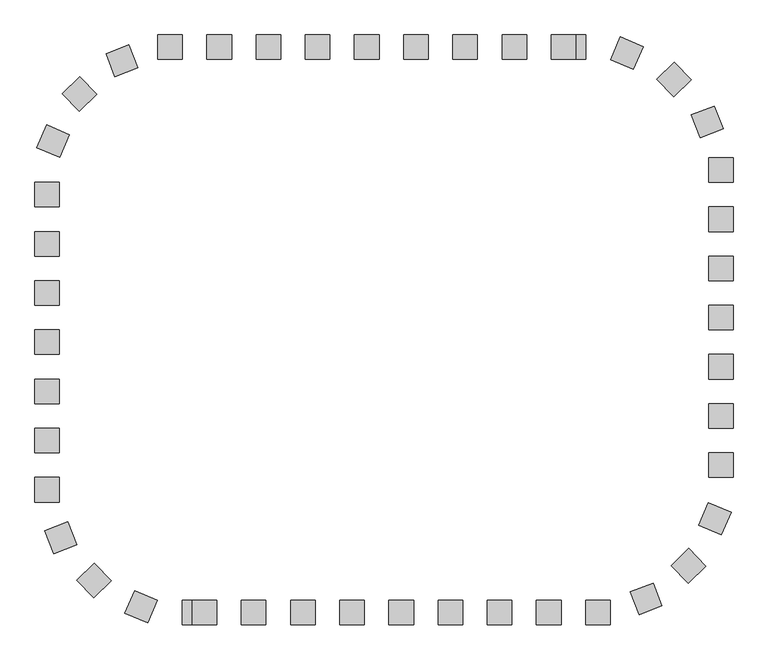
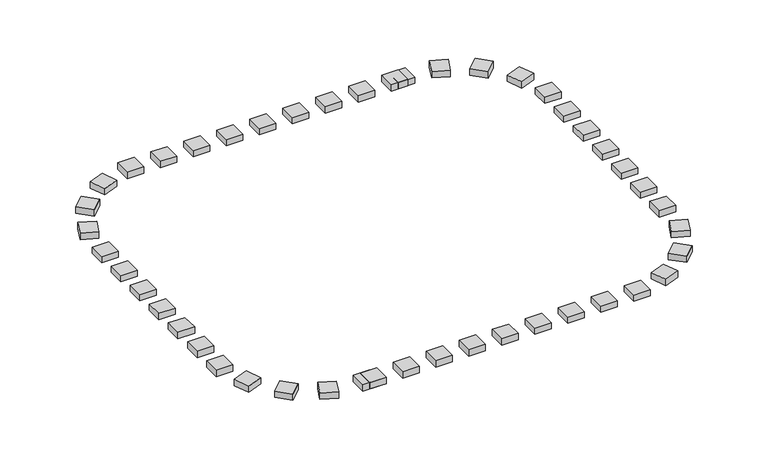
"""IFC4 building model written with IfcOpenShell, lengths in millimetres: railing geometry."""

from ifc_helpers import new_model, si_unit, origin, origin_with_axes, place, context, project, spatial, polyline, outline, extrude, source, transform, mapped, element, save


def railing_874c2a99(model_context):
    return source(origin(), model_context, "Body", "SweptSolid", [
        extrude(outline(polyline([(-56457.9798567, -274270.9184424), (-56457.9798567, -274770.9184424), (-56957.9798567, -274770.9184424), (-56957.9798567, -274270.9184424), (-56457.9798567, -274270.9184424)])), origin_with_axes(), (0.0, 0.0, 1.0), 200.0),
        extrude(outline(polyline([(-57457.9798567, -274270.9184424), (-57457.9798567, -274770.9184424), (-57957.9798567, -274770.9184424), (-57957.9798567, -274270.9184424), (-57457.9798567, -274270.9184424)])), origin_with_axes(), (0.0, 0.0, 1.0), 200.0),
        extrude(outline(polyline([(-58457.9798567, -274270.9184424), (-58457.9798567, -274770.9184424), (-58957.9798567, -274770.9184424), (-58957.9798567, -274270.9184424), (-58457.9798567, -274270.9184424)])), origin_with_axes(), (0.0, 0.0, 1.0), 200.0),
        extrude(outline(polyline([(-59457.9798567, -274270.9184424), (-59457.9798567, -274770.9184424), (-59957.9798567, -274770.9184424), (-59957.9798567, -274270.9184424), (-59457.9798567, -274270.9184424)])), origin_with_axes(), (0.0, 0.0, 1.0), 200.0),
        extrude(outline(polyline([(-60457.9798567, -274270.9184424), (-60457.9798567, -274770.9184424), (-60957.9798567, -274770.9184424), (-60957.9798567, -274270.9184424), (-60457.9798567, -274270.9184424)])), origin_with_axes(), (0.0, 0.0, 1.0), 200.0),
        extrude(outline(polyline([(-61457.9798567, -274270.9184424), (-61457.9798567, -274770.9184424), (-61957.9798567, -274770.9184424), (-61957.9798567, -274270.9184424), (-61457.9798567, -274270.9184424)])), origin_with_axes(), (0.0, 0.0, 1.0), 200.0),
        extrude(outline(polyline([(-62457.9798567, -274270.9184424), (-62457.9798567, -274770.9184424), (-62957.9798567, -274770.9184424), (-62957.9798567, -274270.9184424), (-62457.9798567, -274270.9184424)])), origin_with_axes(), (0.0, 0.0, 1.0), 200.0),
        extrude(outline(polyline([(-63457.9798567, -274270.9184424), (-63457.9798567, -274770.9184424), (-63957.9798567, -274770.9184424), (-63957.9798567, -274270.9184424), (-63457.9798567, -274270.9184424)])), origin_with_axes(), (0.0, 0.0, 1.0), 200.0),
        extrude(outline(polyline([(-65545.0531201, -274474.8011845), (-65363.8742429, -274940.8207275), (-65829.8937859, -275121.9996047), (-66011.0726631, -274655.9800617), (-65545.0531201, -274474.8011845)])), origin_with_axes(), (0.0, 0.0, 1.0), 200.0),
        extrude(outline(polyline([(-66548.0999847, -275118.8501697), (-66199.74663, -275477.5282151), (-66558.4246755, -275825.8815698), (-66906.7780302, -275467.2035244), (-66548.0999847, -275118.8501697)])), origin_with_axes(), (0.0, 0.0, 1.0), 200.0),
        extrude(outline(polyline([(-67221.1628387, -276102.6634155), (-66760.6323417, -276297.3725866), (-66955.3415128, -276757.9030836), (-67415.8720098, -276563.1939125), (-67221.1628387, -276102.6634155)])), origin_with_axes(), (0.0, 0.0, 1.0), 200.0),
        extrude(outline(polyline([(-67457.9798567, -278270.9184424), (-66957.9798567, -278270.9184424), (-66957.9798567, -278770.9184424), (-67457.9798567, -278770.9184424), (-67457.9798567, -278270.9184424)])), origin_with_axes(), (0.0, 0.0, 1.0), 200.0),
        extrude(outline(polyline([(-67457.9798567, -279270.9184424), (-66957.9798567, -279270.9184424), (-66957.9798567, -279770.9184424), (-67457.9798567, -279770.9184424), (-67457.9798567, -279270.9184424)])), origin_with_axes(), (0.0, 0.0, 1.0), 200.0),
        extrude(outline(polyline([(-67457.9798567, -280270.9184424), (-66957.9798567, -280270.9184424), (-66957.9798567, -280770.9184424), (-67457.9798567, -280770.9184424), (-67457.9798567, -280270.9184424)])), origin_with_axes(), (0.0, 0.0, 1.0), 200.0),
        extrude(outline(polyline([(-67457.9798567, -281270.9184424), (-66957.9798567, -281270.9184424), (-66957.9798567, -281770.9184424), (-67457.9798567, -281770.9184424), (-67457.9798567, -281270.9184424)])), origin_with_axes(), (0.0, 0.0, 1.0), 200.0),
        extrude(outline(polyline([(-67457.9798567, -282270.9184424), (-66957.9798567, -282270.9184424), (-66957.9798567, -282770.9184424), (-67457.9798567, -282770.9184424), (-67457.9798567, -282270.9184424)])), origin_with_axes(), (0.0, 0.0, 1.0), 200.0),
        extrude(outline(polyline([(-67254.0971146, -284357.9917058), (-66788.0775716, -284176.8128286), (-66606.8986944, -284642.8323716), (-67072.9182373, -284824.0112488), (-67254.0971146, -284357.9917058)])), origin_with_axes(), (0.0, 0.0, 1.0), 200.0),
        extrude(outline(polyline([(-66610.0481294, -285361.0385704), (-66251.3700839, -285012.6852157), (-65903.0167292, -285371.3632612), (-66261.6947747, -285719.7166159), (-66610.0481294, -285361.0385704)])), origin_with_axes(), (0.0, 0.0, 1.0), 200.0),
        extrude(outline(polyline([(-65626.2348836, -286034.1014244), (-65431.5257124, -285573.5709274), (-64970.9952154, -285768.2800985), (-65165.7043866, -286228.8105955), (-65626.2348836, -286034.1014244)])), origin_with_axes(), (0.0, 0.0, 1.0), 200.0),
        extrude(outline(polyline([(-64257.9798567, -286270.9184424), (-64257.9798567, -285770.9184424), (-63757.9798567, -285770.9184424), (-63757.9798567, -286270.9184424), (-64257.9798567, -286270.9184424)])), origin_with_axes(), (0.0, 0.0, 1.0), 200.0),
        extrude(outline(polyline([(-63257.9798567, -286270.9184424), (-63257.9798567, -285770.9184424), (-62757.9798567, -285770.9184424), (-62757.9798567, -286270.9184424), (-63257.9798567, -286270.9184424)])), origin_with_axes(), (0.0, 0.0, 1.0), 200.0),
        extrude(outline(polyline([(-62257.9798567, -286270.9184424), (-62257.9798567, -285770.9184424), (-61757.9798567, -285770.9184424), (-61757.9798567, -286270.9184424), (-62257.9798567, -286270.9184424)])), origin_with_axes(), (0.0, 0.0, 1.0), 200.0),
        extrude(outline(polyline([(-61257.9798567, -286270.9184424), (-61257.9798567, -285770.9184424), (-60757.9798567, -285770.9184424), (-60757.9798567, -286270.9184424), (-61257.9798567, -286270.9184424)])), origin_with_axes(), (0.0, 0.0, 1.0), 200.0),
        extrude(outline(polyline([(-60257.9798567, -286270.9184424), (-60257.9798567, -285770.9184424), (-59757.9798567, -285770.9184424), (-59757.9798567, -286270.9184424), (-60257.9798567, -286270.9184424)])), origin_with_axes(), (0.0, 0.0, 1.0), 200.0),
        extrude(outline(polyline([(-59257.9798567, -286270.9184424), (-59257.9798567, -285770.9184424), (-58757.9798567, -285770.9184424), (-58757.9798567, -286270.9184424), (-59257.9798567, -286270.9184424)])), origin_with_axes(), (0.0, 0.0, 1.0), 200.0),
        extrude(outline(polyline([(-58257.9798567, -286270.9184424), (-58257.9798567, -285770.9184424), (-57757.9798567, -285770.9184424), (-57757.9798567, -286270.9184424), (-58257.9798567, -286270.9184424)])), origin_with_axes(), (0.0, 0.0, 1.0), 200.0),
        extrude(outline(polyline([(-57257.9798567, -286270.9184424), (-57257.9798567, -285770.9184424), (-56757.9798567, -285770.9184424), (-56757.9798567, -286270.9184424), (-57257.9798567, -286270.9184424)])), origin_with_axes(), (0.0, 0.0, 1.0), 200.0),
        extrude(outline(polyline([(-55170.9065932, -286067.0357003), (-55352.0854705, -285601.0161573), (-54886.0659275, -285419.8372801), (-54704.8870503, -285885.856823), (-55170.9065932, -286067.0357003)])), origin_with_axes(), (0.0, 0.0, 1.0), 200.0),
        extrude(outline(polyline([(-54167.8597286, -285422.9867151), (-54516.2130833, -285064.3086696), (-54157.5350379, -284715.955315), (-53809.1816832, -285074.6333604), (-54167.8597286, -285422.9867151)])), origin_with_axes(), (0.0, 0.0, 1.0), 200.0),
        extrude(outline(polyline([(-53494.7968747, -284439.1734693), (-53955.3273717, -284244.4642982), (-53760.6182005, -283783.9338012), (-53300.0877035, -283978.6429723), (-53494.7968747, -284439.1734693)])), origin_with_axes(), (0.0, 0.0, 1.0), 200.0),
        extrude(outline(polyline([(-53257.9798567, -282270.9184424), (-53757.9798567, -282270.9184424), (-53757.9798567, -281770.9184424), (-53257.9798567, -281770.9184424), (-53257.9798567, -282270.9184424)])), origin_with_axes(), (0.0, 0.0, 1.0), 200.0),
        extrude(outline(polyline([(-53257.9798567, -281270.9184424), (-53757.9798567, -281270.9184424), (-53757.9798567, -280770.9184424), (-53257.9798567, -280770.9184424), (-53257.9798567, -281270.9184424)])), origin_with_axes(), (0.0, 0.0, 1.0), 200.0),
        extrude(outline(polyline([(-53257.9798567, -280270.9184424), (-53757.9798567, -280270.9184424), (-53757.9798567, -279770.9184424), (-53257.9798567, -279770.9184424), (-53257.9798567, -280270.9184424)])), origin_with_axes(), (0.0, 0.0, 1.0), 200.0),
        extrude(outline(polyline([(-53257.9798567, -279270.9184424), (-53757.9798567, -279270.9184424), (-53757.9798567, -278770.9184424), (-53257.9798567, -278770.9184424), (-53257.9798567, -279270.9184424)])), origin_with_axes(), (0.0, 0.0, 1.0), 200.0),
        extrude(outline(polyline([(-53257.9798567, -278270.9184424), (-53757.9798567, -278270.9184424), (-53757.9798567, -277770.9184424), (-53257.9798567, -277770.9184424), (-53257.9798567, -278270.9184424)])), origin_with_axes(), (0.0, 0.0, 1.0), 200.0),
        extrude(outline(polyline([(-53461.8625988, -276183.845179), (-53927.8821418, -276365.0240562), (-54109.061019, -275899.0045132), (-53643.041476, -275717.825636), (-53461.8625988, -276183.845179)])), origin_with_axes(), (0.0, 0.0, 1.0), 200.0),
        extrude(outline(polyline([(-54105.911584, -275180.7983143), (-54464.5896294, -275529.151669), (-54812.9429841, -275170.4736236), (-54454.2649386, -274822.1202689), (-54105.911584, -275180.7983143)])), origin_with_axes(), (0.0, 0.0, 1.0), 200.0),
        extrude(outline(polyline([(-55089.7248297, -274507.7354604), (-55284.4340009, -274968.2659574), (-55744.9644979, -274773.5567862), (-55550.2553268, -274313.0262892), (-55089.7248297, -274507.7354604)])), origin_with_axes(), (0.0, 0.0, 1.0), 200.0),
        extrude(outline(polyline([(-56257.9798567, -274270.9184424), (-56257.9798567, -274770.9184424), (-56757.9798567, -274770.9184424), (-56757.9798567, -274270.9184424), (-56257.9798567, -274270.9184424)])), origin_with_axes(), (0.0, 0.0, 1.0), 200.0),
        extrude(outline(polyline([(-64457.9798567, -274270.9184424), (-64457.9798567, -274770.9184424), (-64957.9798567, -274770.9184424), (-64957.9798567, -274270.9184424), (-64457.9798567, -274270.9184424)])), origin_with_axes(), (0.0, 0.0, 1.0), 200.0),
        extrude(outline(polyline([(-67457.9798567, -277270.9184424), (-66957.9798567, -277270.9184424), (-66957.9798567, -277770.9184424), (-67457.9798567, -277770.9184424), (-67457.9798567, -277270.9184424)])), origin_with_axes(), (0.0, 0.0, 1.0), 200.0),
        extrude(outline(polyline([(-67457.9798567, -283270.9184424), (-66957.9798567, -283270.9184424), (-66957.9798567, -283770.9184424), (-67457.9798567, -283770.9184424), (-67457.9798567, -283270.9184424)])), origin_with_axes(), (0.0, 0.0, 1.0), 200.0),
        extrude(outline(polyline([(-64457.9798567, -286270.9184424), (-64457.9798567, -285770.9184424), (-63957.9798567, -285770.9184424), (-63957.9798567, -286270.9184424), (-64457.9798567, -286270.9184424)])), origin_with_axes(), (0.0, 0.0, 1.0), 200.0),
        extrude(outline(polyline([(-56257.9798567, -286270.9184424), (-56257.9798567, -285770.9184424), (-55757.9798567, -285770.9184424), (-55757.9798567, -286270.9184424), (-56257.9798567, -286270.9184424)])), origin_with_axes(), (0.0, 0.0, 1.0), 200.0),
        extrude(outline(polyline([(-53257.9798567, -283270.9184424), (-53757.9798567, -283270.9184424), (-53757.9798567, -282770.9184424), (-53257.9798567, -282770.9184424), (-53257.9798567, -283270.9184424)])), origin_with_axes(), (0.0, 0.0, 1.0), 200.0),
        extrude(outline(polyline([(-53257.9798567, -277270.9184424), (-53757.9798567, -277270.9184424), (-53757.9798567, -276770.9184424), (-53257.9798567, -276770.9184424), (-53257.9798567, -277270.9184424)])), origin_with_axes(), (0.0, 0.0, 1.0), 200.0),
    ])


if __name__ == "__main__":
    model = new_model("IFC4")
    model_context = context("Model", 3, world=origin())
    ifc_project = project(units=[si_unit("LENGTHUNIT", "METRE", prefix="MILLI")], contexts=[model_context])
    site = spatial("IfcSite", under=ifc_project)
    building = spatial("IfcBuilding", under=site)
    placement = place(None, origin())
    railing_shape = railing_874c2a99(model_context)
    element("IfcRailing", 1, at=placement, inside=building, context=model_context, shape_type="MappedRepresentation", body=[
        mapped(railing_shape, transform((0.0, 0.0, 0.0), x_axis=(1.0, 0.0, 0.0), y_axis=(0.0, 1.0, 0.0), z_axis=(0.0, 0.0, 1.0))),
    ])
    save(model, "model.ifc")
